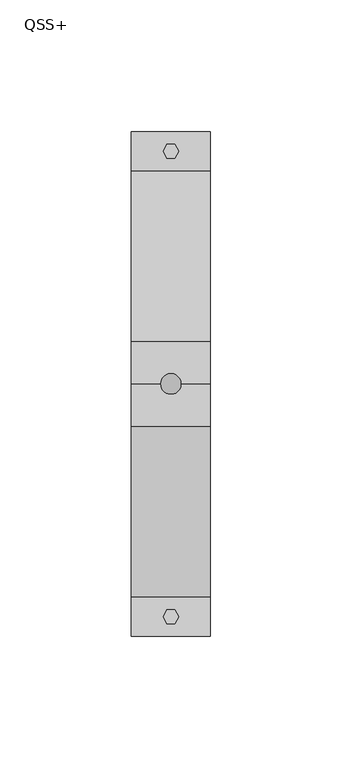
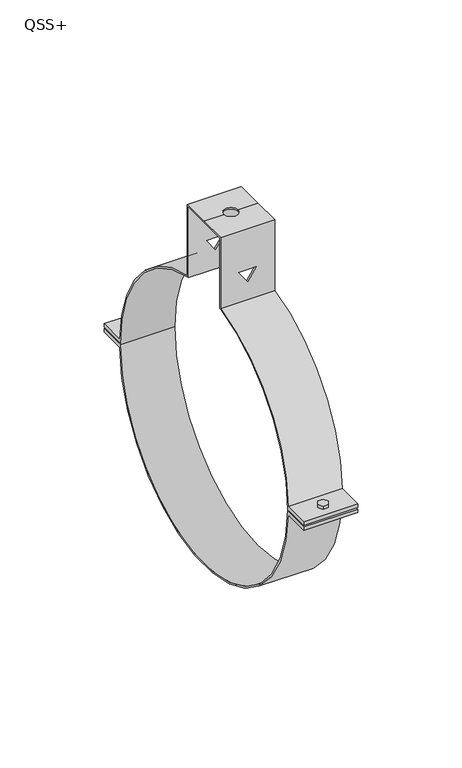
"""IFC4 building model written with IfcOpenShell, lengths in millimetres: proxy geometry, QSS+."""

from ifc_helpers import new_model, si_unit, frame, origin, place, context, project, spatial, polyline, circle_curve, outline, extrude, source, transform, mapped, element, save
from ifc_brep_helpers import plane_surface, cylinder_surface, revolved_surface, advanced_brep


def qss_ff267804(model_context):
    return source(origin(), model_context, "Body", "SolidModel", [
        extrude(outline(polyline([(1.5, 91.0980762), (3.0, 88.5), (1.5, 85.9019238), (-1.5, 85.9019238), (-3.0, 88.5), (-1.5, 91.0980762), (1.5, 91.0980762)])), frame((0.0, 0.0, -4.0), z_axis=(0.0, 0.0, 1.0), x_axis=(1.0, 0.0, 0.0)), (0.0, 0.0, 1.0), 8.0),
        extrude(outline(polyline([(1.5, -91.0980762), (-1.5, -91.0980762), (-3.0, -88.5), (-1.5, -85.9019238), (1.5, -85.9019238), (3.0, -88.5), (1.5, -91.0980762)])), frame((0.0, 0.0, -4.0), z_axis=(0.0, 0.0, 1.0), x_axis=(1.0, 0.0, 0.0)), (0.0, 0.0, 1.0), 8.0),
        advanced_brep(
        [(-15.0, -16.0, 121.0), (-15.0, 0.0, 121.0), (-15.0, 16.0, 121.0), (-15.0, 16.0, 79.4040301), (-15.0, 80.9624311, 2.4667277), (-15.0, 96.0, 2.4667277), (-15.0, 96.0, 0.4667277), (-15.0, 80.9986553, 0.4667277), (-15.0, 81.0, 0.0), (-15.0, 80.9986553, -0.4667277), (-15.0, 96.0, -0.4667277), (-15.0, 96.0, -2.4667277), (-15.0, 80.9624311, -2.4667277), (-15.0, -80.9612703, -2.5045372), (-15.0, -96.0, -2.5045372), (-15.0, -96.0, -0.5045372), (-15.0, -80.9984286, -0.5045372), (-15.0, -81.0, 0.0), (-15.0, -80.9984286, 0.5045372), (-15.0, -96.0, 0.5045372), (-15.0, -96.0, 2.5045372), (-15.0, -80.9612703, 2.5045372), (-15.0, -16.0, 79.4040301), (-15.0, 14.9730976, 120.0081289), (-15.0, 0.0, 120.0081289), (-15.0, -14.9730976, 120.0081289), (-15.0, -14.9730976, 78.5862987), (-15.0, -16.0, 78.3836718), (-15.0, -80.0, 0.0), (-15.0, 80.0, 0.0), (-15.0, 16.0, 78.3836718), (-15.0, 14.9730976, 78.5862987), (15.0, 16.0, 121.0), (15.0, 0.0, 121.0), (15.0, -16.0, 121.0), (15.0, -16.0, 79.4040301), (15.0, -80.9612703, 2.5045372), (15.0, -96.0, 2.5045372), (15.0, -96.0, 0.5045372), (15.0, -80.9984286, 0.5045372), (15.0, -81.0, 0.0), (15.0, -80.9984286, -0.5045372), (15.0, -96.0, -0.5045372), (15.0, -96.0, -2.5045372), (15.0, -80.9612703, -2.5045372), (15.0, 80.9624311, -2.4667277), (15.0, 96.0, -2.4667277), (15.0, 96.0, -0.4667277), (15.0, 80.9986553, -0.4667277), (15.0, 81.0, 0.0), (15.0, 80.9986553, 0.4667277), (15.0, 96.0, 0.4667277), (15.0, 96.0, 2.4667277), (15.0, 80.9624311, 2.4667277), (15.0, 16.0, 79.4040301), (15.0, -14.9730976, 120.0081289), (15.0, 0.0, 120.0081289), (15.0, 14.9730976, 120.0081289), (15.0, 14.9730976, 78.5862987), (15.0, 16.0, 78.3836718), (15.0, 80.0, 0.0), (15.0, -80.0, 0.0), (15.0, -16.0, 78.3836718), (15.0, -14.9730976, 78.5862987), (-4.0, 0.0, 121.0), (4.0, 0.0, 121.0), (0.0, -16.0, 96.8826485), (4.9139468, -16.0, 96.8826485), (0.0, -16.0, 89.8648052), (-4.9139468, -16.0, 96.8826485), (4.9139468, -14.9730976, 96.8826485), (0.0, -14.9730976, 96.8826485), (-4.9139468, -14.9730976, 96.8826485), (0.0, -14.9730976, 89.8648052), (-4.0, 0.0, 120.0081289), (4.0, 0.0, 120.0081289), (0.0, 14.9730976, 96.8826485), (4.9139468, 14.9730976, 96.8826485), (0.0, 14.9730976, 89.8648052), (-4.9139468, 14.9730976, 96.8826485), (4.9139468, 16.0, 96.8826485), (0.0, 16.0, 96.8826485), (-4.9139468, 16.0, 96.8826485), (0.0, 16.0, 89.8648052)],
        [
            (0, 1),
            (1, 2),
            (2, 3),
            (3, 4, circle_curve(frame((-15.0, 0.0, 0.0), z_axis=(-1.0, 0.0, 0.0), x_axis=(0.0, 1.0, 0.0)), 81.0)),
            (4, 5),
            (5, 6),
            (6, 7),
            (7, 8, circle_curve(frame((-15.0, 0.0, 0.0), z_axis=(-1.0, 0.0, 0.0), x_axis=(0.0, 1.0, 0.0)), 81.0)),
            (8, 9, circle_curve(frame((-15.0, 0.0, 0.0), z_axis=(-1.0, 0.0, 0.0), x_axis=(0.0, 1.0, 0.0)), 81.0)),
            (9, 10),
            (10, 11),
            (11, 12),
            (12, 13, circle_curve(frame((-15.0, 0.0, 0.0), z_axis=(-1.0, 0.0, 0.0), x_axis=(0.0, 1.0, 0.0)), 81.0)),
            (13, 14),
            (14, 15),
            (15, 16),
            (16, 17, circle_curve(frame((-15.0, 0.0, 0.0), z_axis=(-1.0, 0.0, 0.0), x_axis=(0.0, 1.0, 0.0)), 81.0)),
            (17, 18, circle_curve(frame((-15.0, 0.0, 0.0), z_axis=(-1.0, 0.0, 0.0), x_axis=(0.0, 1.0, 0.0)), 81.0)),
            (18, 19),
            (19, 20),
            (20, 21),
            (21, 22, circle_curve(frame((-15.0, 0.0, 0.0), z_axis=(-1.0, 0.0, 0.0), x_axis=(0.0, 1.0, 0.0)), 81.0)),
            (22, 0),
            (23, 24),
            (24, 25),
            (25, 26),
            (26, 27, circle_curve(frame((-15.0, 0.0, 0.0), z_axis=(1.0, 0.0, 0.0), x_axis=(0.0, 1.0, 0.0)), 80.0)),
            (27, 28, circle_curve(frame((-15.0, 0.0, 0.0), z_axis=(1.0, 0.0, 0.0), x_axis=(0.0, 1.0, 0.0)), 80.0)),
            (28, 29, circle_curve(frame((-15.0, 0.0, 0.0), z_axis=(1.0, 0.0, 0.0), x_axis=(0.0, 1.0, 0.0)), 80.0)),
            (29, 30, circle_curve(frame((-15.0, 0.0, 0.0), z_axis=(1.0, 0.0, 0.0), x_axis=(0.0, 1.0, 0.0)), 80.0)),
            (30, 31, circle_curve(frame((-15.0, 0.0, 0.0), z_axis=(1.0, 0.0, 0.0), x_axis=(0.0, 1.0, 0.0)), 80.0)),
            (31, 23),
            (32, 33),
            (33, 34),
            (34, 35),
            (35, 36, circle_curve(frame((15.0, 0.0, 0.0), z_axis=(1.0, 0.0, 0.0), x_axis=(0.0, 1.0, 0.0)), 81.0)),
            (36, 37),
            (37, 38),
            (38, 39),
            (39, 40, circle_curve(frame((15.0, 0.0, 0.0), z_axis=(1.0, 0.0, 0.0), x_axis=(0.0, 1.0, 0.0)), 81.0)),
            (40, 41, circle_curve(frame((15.0, 0.0, 0.0), z_axis=(1.0, 0.0, 0.0), x_axis=(0.0, 1.0, 0.0)), 81.0)),
            (41, 42),
            (42, 43),
            (43, 44),
            (44, 45, circle_curve(frame((15.0, 0.0, 0.0), z_axis=(1.0, 0.0, 0.0), x_axis=(0.0, 1.0, 0.0)), 81.0)),
            (45, 46),
            (46, 47),
            (47, 48),
            (48, 49, circle_curve(frame((15.0, 0.0, 0.0), z_axis=(1.0, 0.0, 0.0), x_axis=(0.0, 1.0, 0.0)), 81.0)),
            (49, 50, circle_curve(frame((15.0, 0.0, 0.0), z_axis=(1.0, 0.0, 0.0), x_axis=(0.0, 1.0, 0.0)), 81.0)),
            (50, 51),
            (51, 52),
            (52, 53),
            (53, 54, circle_curve(frame((15.0, 0.0, 0.0), z_axis=(1.0, 0.0, 0.0), x_axis=(0.0, 1.0, 0.0)), 81.0)),
            (54, 32),
            (55, 56),
            (56, 57),
            (57, 58),
            (58, 59, circle_curve(frame((15.0, 0.0, 0.0), z_axis=(-1.0, 0.0, 0.0), x_axis=(0.0, 1.0, 0.0)), 80.0)),
            (59, 60, circle_curve(frame((15.0, 0.0, 0.0), z_axis=(-1.0, 0.0, 0.0), x_axis=(0.0, 1.0, 0.0)), 80.0)),
            (60, 61, circle_curve(frame((15.0, 0.0, 0.0), z_axis=(-1.0, 0.0, 0.0), x_axis=(0.0, 1.0, 0.0)), 80.0)),
            (61, 62, circle_curve(frame((15.0, 0.0, 0.0), z_axis=(-1.0, 0.0, 0.0), x_axis=(0.0, 1.0, 0.0)), 80.0)),
            (62, 63, circle_curve(frame((15.0, 0.0, 0.0), z_axis=(-1.0, 0.0, 0.0), x_axis=(0.0, 1.0, 0.0)), 80.0)),
            (63, 55),
            (1, 64),
            (64, 65, circle_curve(frame((0.0, 0.0, 121.0), z_axis=(0.0, 0.0, -1.0), x_axis=(1.0, 0.0, 0.0)), 4.0)),
            (65, 33),
            (32, 2),
            (0, 34),
            (65, 64, circle_curve(frame((0.0, 0.0, 121.0), z_axis=(0.0, 0.0, -1.0), x_axis=(1.0, 0.0, 0.0)), 4.0)),
            (22, 35),
            (66, 67),
            (67, 68),
            (68, 69),
            (69, 66),
            (25, 55),
            (63, 26),
            (70, 71),
            (71, 72),
            (72, 73),
            (73, 70),
            (24, 74),
            (74, 75, circle_curve(frame((0.0, 0.0, 120.0081289), z_axis=(0.0, 0.0, 1.0), x_axis=(1.0, 0.0, 0.0)), 4.0)),
            (75, 56),
            (23, 57),
            (75, 74, circle_curve(frame((0.0, 0.0, 120.0081289), z_axis=(0.0, 0.0, 1.0), x_axis=(1.0, 0.0, 0.0)), 4.0)),
            (31, 58),
            (76, 77),
            (77, 78),
            (78, 79),
            (79, 76),
            (54, 3),
            (80, 81),
            (81, 82),
            (82, 83),
            (83, 80),
            (61, 28),
            (27, 62),
            (29, 60),
            (59, 30),
            (40, 17),
            (16, 41),
            (8, 49),
            (48, 9),
            (12, 45),
            (44, 13),
            (21, 36),
            (53, 4),
            (39, 18),
            (7, 50),
            (6, 51),
            (5, 52),
            (11, 46),
            (10, 47),
            (38, 19),
            (37, 20),
            (43, 14),
            (42, 15),
            (70, 67),
            (66, 71),
            (80, 77),
            (76, 81),
            (69, 72),
            (79, 82),
            (68, 73),
            (78, 83),
            (65, 75),
            (74, 64),
        ],
        [
            plane_surface(frame((-15.0, 16.0, 121.0), z_axis=(-1.0, 0.0, 0.0), x_axis=(0.0, 1.0, 0.0))),
            plane_surface(frame((15.0, 16.0, 121.0), z_axis=(1.0, 0.0, 0.0), x_axis=(0.0, -1.0, 0.0))),
            plane_surface(frame((15.0, 16.0, 121.0), z_axis=(0.0, 0.0, 1.0), x_axis=(-1.0, 0.0, 0.0))),
            plane_surface(frame((15.0, 0.0, 121.0), z_axis=(0.0, 0.0, 1.0), x_axis=(-1.0, 0.0, 0.0))),
            plane_surface(frame((15.0, -16.0, 121.0), z_axis=(0.0, -1.0, 0.0), x_axis=(-1.0, 0.0, 0.0))),
            plane_surface(frame((15.0, -14.9730976, 0.0), z_axis=(0.0, 1.0, 0.0), x_axis=(-1.0, 0.0, 0.0))),
            plane_surface(frame((15.0, -14.9730976, 120.0081289), z_axis=(0.0, 0.0, -1.0), x_axis=(-1.0, 0.0, 0.0))),
            plane_surface(frame((15.0, 0.0, 120.0081289), z_axis=(0.0, 0.0, -1.0), x_axis=(-1.0, 0.0, 0.0))),
            plane_surface(frame((15.0, 14.9730976, 120.0081289), z_axis=(0.0, -1.0, 0.0), x_axis=(-1.0, 0.0, 0.0))),
            plane_surface(frame((15.0, 16.0, 0.0), z_axis=(0.0, 1.0, 0.0), x_axis=(-1.0, 0.0, 0.0))),
            revolved_surface(polyline([(-15.0, 80.0, 0.0), (15.0, 80.0, 0.0)]), (-15.0, 0.0, 0.0), (-1.0, 0.0, 0.0)),
            cylinder_surface(frame((0.0, 0.0, 0.0), z_axis=(1.0, 0.0, 0.0), x_axis=(0.0, 1.0, 0.0)), 81.0),
            revolved_surface(polyline([(15.0, 80.0, 0.0), (-15.0, 80.0, 0.0)]), (-15.0, 0.0, 0.0), (1.0, 0.0, 0.0)),
            plane_surface(frame((15.0, 80.2591075, 0.4667277), z_axis=(0.0, 0.0, -1.0), x_axis=(-1.0, 0.0, 0.0))),
            plane_surface(frame((15.0, 96.0, 0.4667277), z_axis=(0.0, 1.0, 0.0), x_axis=(-1.0, 0.0, 0.0))),
            plane_surface(frame((15.0, 96.0, 2.4667277), z_axis=(0.0, 0.0, 1.0), x_axis=(-1.0, 0.0, 0.0))),
            plane_surface(frame((15.0, 80.2591075, -2.4667277), z_axis=(0.0, 0.0, -1.0), x_axis=(-1.0, 0.0, 0.0))),
            plane_surface(frame((15.0, 96.0, -2.4667277), z_axis=(0.0, 1.0, 0.0), x_axis=(-1.0, 0.0, 0.0))),
            plane_surface(frame((15.0, 96.0, -0.4667277), z_axis=(0.0, 0.0, 1.0), x_axis=(-1.0, 0.0, 0.0))),
            plane_surface(frame((15.0, -96.0, 0.5045372), z_axis=(0.0, 0.0, -1.0), x_axis=(-1.0, 0.0, 0.0))),
            plane_surface(frame((15.0, -96.0, 2.5045372), z_axis=(0.0, -1.0, 0.0), x_axis=(-1.0, 0.0, 0.0))),
            plane_surface(frame((15.0, -80.2591075, 2.5045372), z_axis=(0.0, 0.0, 1.0), x_axis=(-1.0, 0.0, 0.0))),
            plane_surface(frame((15.0, -96.0, -2.5045372), z_axis=(0.0, 0.0, -1.0), x_axis=(-1.0, 0.0, 0.0))),
            plane_surface(frame((15.0, -96.0, -0.5045372), z_axis=(0.0, -1.0, 0.0), x_axis=(-1.0, 0.0, 0.0))),
            plane_surface(frame((15.0, -80.2591075, -0.5045372), z_axis=(0.0, 0.0, 1.0), x_axis=(-1.0, 0.0, 0.0))),
            plane_surface(frame((4.9139468, -23.1577597, 96.8826485), z_axis=(0.0, 0.0, -1.0), x_axis=(0.0, 1.0, 0.0))),
            plane_surface(frame((0.0, -23.1577597, 96.8826485), z_axis=(0.0, 0.0, -1.0), x_axis=(0.0, 1.0, 0.0))),
            plane_surface(frame((-4.9139468, -23.1577597, 96.8826485), z_axis=(0.8191520442889925, 0.0, 0.5735764363510453), x_axis=(0.0, 1.0, 0.0))),
            plane_surface(frame((0.0, -23.1577597, 89.8648052), z_axis=(-0.8191520442889926, 0.0, 0.5735764363510449), x_axis=(0.0, 1.0, 0.0))),
            revolved_surface(polyline([(4.0, 0.0, 121.0), (4.0, 0.0, 120.0081289)]), (0.0, 0.0, 120.0081289), (0.0, 0.0, 1.0)),
        ],
        [
            (0, [[1, 2, 3, 4, 5, 6, 7, 8, 9, 10, 11, 12, 13, 14, 15, 16, 17, 18, 19, 20, 21, 22, 23], [24, 25, 26, 27, 28, 29, 30, 31, 32]]),
            (1, [[33, 34, 35, 36, 37, 38, 39, 40, 41, 42, 43, 44, 45, 46, 47, 48, 49, 50, 51, 52, 53, 54, 55], [56, 57, 58, 59, 60, 61, 62, 63, 64]]),
            (2, [[-2, 65, 66, 67, -33, 68]]),
            (3, [[-1, 69, -34, -67, 70, -65]]),
            (4, [[-69, -23, 71, -35], [72, 73, 74, 75]]),
            (5, [[76, -64, 77, -26], [78, 79, 80, 81]]),
            (6, [[-25, 82, 83, 84, -56, -76]]),
            (7, [[-24, 85, -57, -84, 86, -82]]),
            (8, [[-85, -32, 87, -58], [88, 89, 90, 91]]),
            (9, [[-68, -55, 92, -3], [93, 94, 95, 96]]),
            (10, [[97, -28, 98, -62]]),
            (10, [[99, -60, 100, -30]]),
            (10, [[-29, -97, -61, -99]]),
            (11, [[101, -17, 102, -41]]),
            (11, [[103, -49, 104, -9]]),
            (11, [[105, -45, 106, -13]]),
            (11, [[-71, -22, 107, -36]]),
            (11, [[-92, -54, 108, -4]]),
            (11, [[-101, -40, 109, -18]]),
            (11, [[-103, -8, 110, -50]]),
            (12, [[-27, -77, -63, -98]]),
            (12, [[-31, -100, -59, -87]]),
            (13, [[111, -51, -110, -7]]),
            (14, [[-52, -111, -6, 112]]),
            (15, [[-112, -5, -108, -53]]),
            (16, [[113, -46, -105, -12]]),
            (17, [[-47, -113, -11, 114]]),
            (18, [[-114, -10, -104, -48]]),
            (19, [[115, -19, -109, -39]]),
            (20, [[-38, 116, -20, -115]]),
            (21, [[-116, -37, -107, -21]]),
            (22, [[117, -14, -106, -44]]),
            (23, [[-43, 118, -15, -117]]),
            (24, [[-118, -42, -102, -16]]),
            (25, [[119, -72, 120, -78]]),
            (25, [[121, -88, 122, -93]]),
            (26, [[-120, -75, 123, -79]]),
            (26, [[-122, -91, 124, -94]]),
            (27, [[-123, -74, 125, -80]]),
            (27, [[-124, -90, 126, -95]]),
            (28, [[-119, -81, -125, -73]]),
            (28, [[-121, -96, -126, -89]]),
            (29, [[127, -83, 128, -70]]),
            (29, [[-127, -66, -128, -86]]),
        ],
    ),
    ])


if __name__ == "__main__":
    model = new_model("IFC4")
    model_context = context("Model", 3, world=origin())
    ifc_project = project(units=[si_unit("LENGTHUNIT", "METRE", prefix="MILLI")], contexts=[model_context])
    site = spatial("IfcSite", under=ifc_project)
    building = spatial("IfcBuilding", under=site)
    placement = place(None, origin())
    qss_shape = qss_ff267804(model_context)
    element("IfcBuildingElementProxy", 1, Name="QSS+", ObjectType="QSS+", at=placement, inside=building, context=model_context, shape_type="MappedRepresentation", body=[
        mapped(qss_shape, transform((0.0, 0.0, 0.0), x_axis=(1.0, 0.0, 0.0), y_axis=(0.0, 1.0, 0.0), z_axis=(0.0, 0.0, 1.0))),
    ])
    save(model, "model.ifc")
